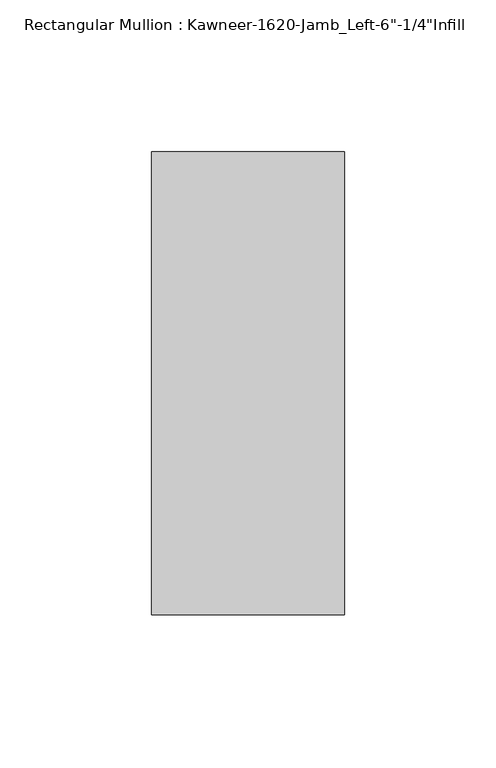
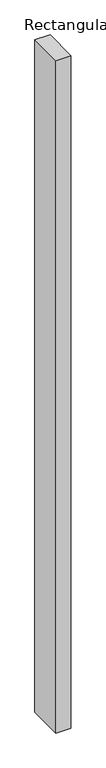
"""IFC4 building model written with IfcOpenShell, lengths in millimetres: member geometry."""

from ifc_helpers import new_model, si_unit, frame, origin, place, context, project, spatial, polyline, outline, extrude, source, transform, mapped, element, save


def member_fc4a800c(model_context):
    return source(origin(), model_context, "Body", "SweptSolid", [
        extrude(outline(polyline([(-63.5, 28.575), (0.0, 28.575), (0.0, -123.825), (-63.5, -123.825), (-63.5, 28.575)])), frame((0.0, 0.0, -2984.5), z_axis=(0.0, 0.0, 1.0), x_axis=(1.0, 0.0, 0.0)), (0.0, 0.0, 1.0), 2984.5),
    ])


if __name__ == "__main__":
    model = new_model("IFC4")
    model_context = context("Model", 3, world=origin())
    ifc_project = project(units=[si_unit("LENGTHUNIT", "METRE", prefix="MILLI")], contexts=[model_context])
    site = spatial("IfcSite", under=ifc_project)
    building = spatial("IfcBuilding", under=site)
    placement = place(None, origin())
    member_shape = member_fc4a800c(model_context)
    element("IfcMember", 1, ObjectType="Rectangular Mullion : Kawneer-1620-Jamb_Left-6\"-1/4\"Infill", at=placement, inside=building, context=model_context, shape_type="MappedRepresentation", body=[
        mapped(member_shape, transform((0.0, 0.0, 0.0), x_axis=(1.0, 0.0, 0.0), y_axis=(0.0, 1.0, 0.0), z_axis=(0.0, 0.0, 1.0))),
    ])
    save(model, "model.ifc")
